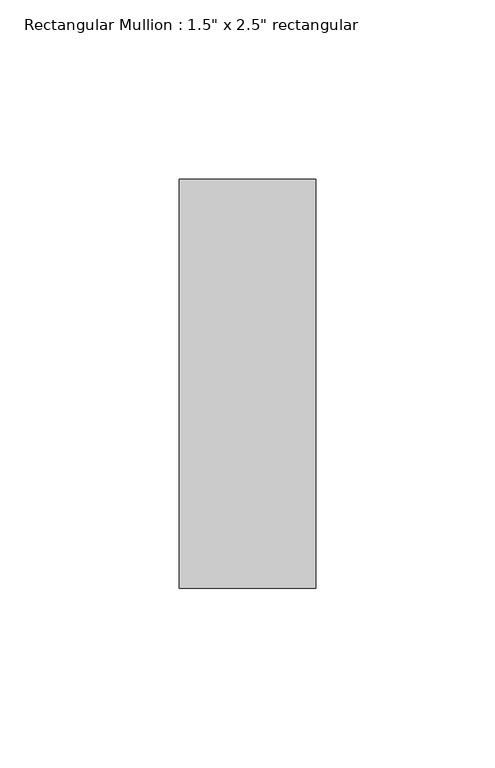
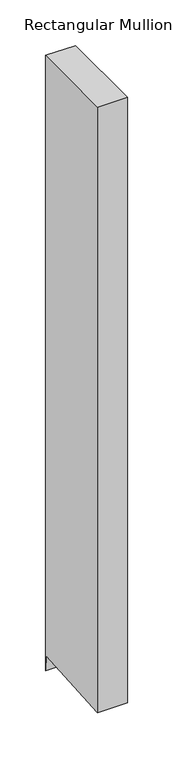
"""IFC4 building model written with IfcOpenShell, lengths in millimetres: member geometry."""

from ifc_helpers import new_model, si_unit, origin, place, context, project, spatial, faceted_brep, source, transform, mapped, element, save


def member_e7663a47(model_context):
    return source(origin(), model_context, "Body", "Brep", [
        faceted_brep([(19.05, 57.15, 0.0), (-19.05, 57.15, 0.0), (-19.05, -57.15, 0.0), (19.05, -57.15, 0.0), (19.05, 57.15, -824.6064595), (0.0, 57.15, -824.6064595), (-19.05, 57.15, -824.6064595), (-19.05, 55.6270263, -803.5476123), (-19.05, -57.15, -811.7036354), (0.0, -57.15, -811.7036354), (19.05, -57.15, -811.7036354), (19.05, 55.6270263, -803.5476123), (0.0, 55.6270263, -803.5476123)], [[[0, 1, 2, 3]], [[1, 0, 4, 5, 6]], [[2, 1, 6, 7, 8]], [[3, 2, 8, 9, 10]], [[0, 3, 10, 11, 4]], [[4, 11, 12, 5]], [[11, 10, 9, 12]], [[9, 8, 7, 12]], [[7, 6, 5, 12]]]),
    ])


if __name__ == "__main__":
    model = new_model("IFC4")
    model_context = context("Model", 3, world=origin())
    ifc_project = project(units=[si_unit("LENGTHUNIT", "METRE", prefix="MILLI")], contexts=[model_context])
    site = spatial("IfcSite", under=ifc_project)
    building = spatial("IfcBuilding", under=site)
    placement = place(None, origin())
    member_shape = member_e7663a47(model_context)
    element("IfcMember", 1, ObjectType="Rectangular Mullion : 1.5\" x 2.5\" rectangular", at=placement, inside=building, context=model_context, shape_type="MappedRepresentation", body=[
        mapped(member_shape, transform((0.0, 0.0, 0.0), x_axis=(1.0, 0.0, 0.0), y_axis=(0.0, 1.0, 0.0), z_axis=(0.0, 0.0, 1.0))),
    ])
    save(model, "model.ifc")
